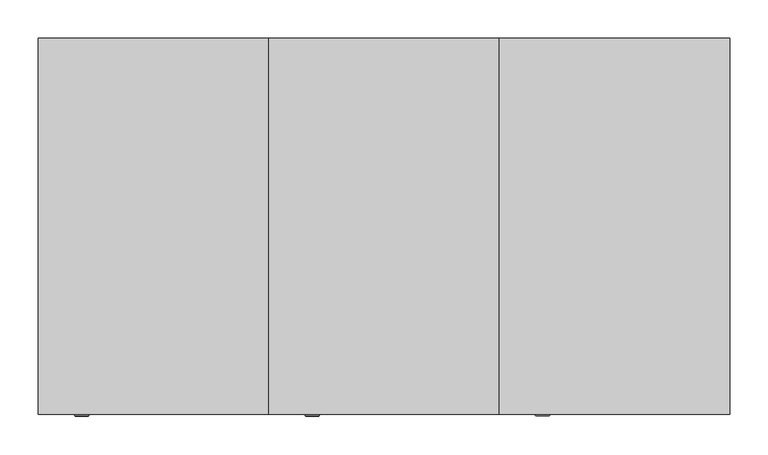
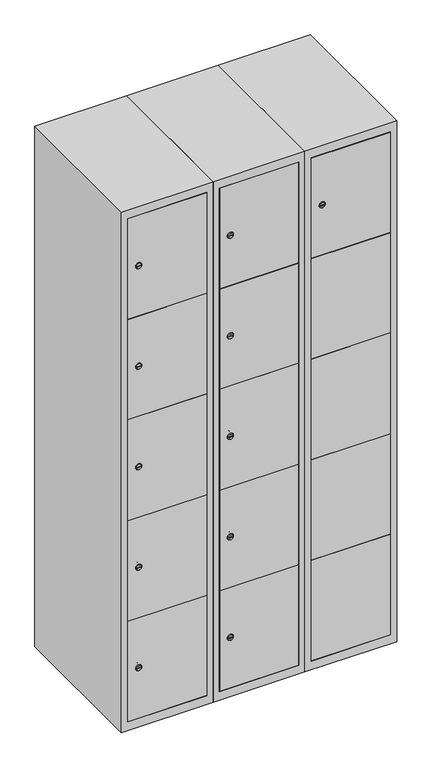
"""IFC4 building model written with IfcOpenShell, lengths in millimetres: furniture geometry."""

from ifc_helpers import new_model, si_unit, point, frame, frame_2d, origin, place, context, project, spatial, polyline, circle_curve, trimmed, segment, composite_curve, outline, extrude, faceted_brep, source, transform, mapped, element, save
from ifc_brep_helpers import plane_surface, revolved_surface, advanced_brep


def furniture_c6ca2750(model_context):
    return source(origin(), model_context, "Body", "SolidModel", [
        advanced_brep(
        [(464.9, -247.2, 1630.04), (447.9, -247.2, 1630.04), (451.4, -247.2, 1628.79), (451.4, -247.2, 1631.29), (461.4, -247.2, 1631.29), (461.4, -247.2, 1628.79), (466.9, -245.0, 1630.04), (445.9, -245.0, 1630.04), (451.4, -245.0, 1631.29), (451.4, -245.0, 1628.79), (461.4, -245.0, 1628.79), (461.4, -245.0, 1631.29)],
        [
            (0, 1, circle_curve(frame((456.4, -247.2, 1630.04), z_axis=(0.0, -1.0, 0.0), x_axis=(1.0, 0.0, 0.0)), 8.5)),
            (1, 0, circle_curve(frame((456.4, -247.2, 1630.04), z_axis=(0.0, -1.0, 0.0), x_axis=(-1.0, 0.0, 0.0)), 8.5)),
            (2, 3),
            (3, 4),
            (4, 5),
            (5, 2),
            (6, 7, circle_curve(frame((456.4, -245.0, 1630.04), z_axis=(0.0, 1.0, 0.0), x_axis=(-1.0, 0.0, 0.0)), 10.5)),
            (7, 6, circle_curve(frame((456.4, -245.0, 1630.04), z_axis=(0.0, 1.0, 0.0), x_axis=(1.0, 0.0, 0.0)), 10.5)),
            (8, 9),
            (9, 10),
            (10, 11),
            (11, 8),
            (0, 6),
            (7, 1),
            (8, 3),
            (2, 9),
            (11, 4),
            (10, 5),
        ],
        [
            plane_surface(frame((456.4, -247.2, 1630.04), z_axis=(0.0, -1.0, 0.0), x_axis=(0.0, 0.0, 1.0))),
            plane_surface(frame((456.4, -245.0, 1630.04), z_axis=(0.0, 1.0, 0.0), x_axis=(0.0, 0.0, 1.0))),
            revolved_surface(polyline([(464.9, -247.2, 1630.04), (466.9, -245.0, 1630.04)]), (456.4, -256.55, 1630.04), (0.0, 1.0, 0.0)),
            revolved_surface(polyline([(447.9, -247.2, 1630.04), (445.9, -245.0, 1630.04)]), (456.4, -256.55, 1630.04), (0.0, 1.0, 0.0)),
            plane_surface(frame((451.4, -245.0, 1628.79), z_axis=(1.0, 0.0, 0.0), x_axis=(0.0, -1.0, 0.0))),
            plane_surface(frame((451.4, -245.0, 1631.29), z_axis=(0.0, 0.0, -1.0), x_axis=(0.0, -1.0, 0.0))),
            plane_surface(frame((461.4, -245.0, 1631.29), z_axis=(-1.0, 0.0, 0.0), x_axis=(0.0, -1.0, 0.0))),
            plane_surface(frame((461.4, -245.0, 1628.79), z_axis=(0.0, 0.0, 1.0), x_axis=(0.0, -1.0, 0.0))),
        ],
        [
            (0, [[1, 2], [3, 4, 5, 6]]),
            (1, [[7, 8], [9, 10, 11, 12]]),
            (2, [[-1, 13, -8, 14]]),
            (3, [[-2, -14, -7, -13]]),
            (4, [[15, -3, 16, -9]]),
            (5, [[-15, -12, 17, -4]]),
            (6, [[-17, -11, 18, -5]]),
            (7, [[-16, -6, -18, -10]]),
        ],
    ),
        extrude(outline(polyline([(678.6, -227.0), (678.6, -245.0), (421.4, -245.0), (421.4, -227.0), (678.6, -227.0)])), frame((0.0, 0.0, 760.74), z_axis=(0.0, 0.0, 1.0), x_axis=(1.0, 0.0, 0.0)), (0.0, 0.0, 1.0), 348.52),
        extrude(outline(polyline([(678.6, -227.0), (678.6, -245.0), (421.4, -245.0), (421.4, -227.0), (678.6, -227.0)])), frame((0.0, 0.0, 413.22), z_axis=(0.0, 0.0, 1.0), x_axis=(1.0, 0.0, 0.0)), (0.0, 0.0, 1.0), 348.52),
        extrude(outline(polyline([(678.6, -227.0), (678.6, -245.0), (421.4, -245.0), (421.4, -227.0), (678.6, -227.0)])), frame((0.0, 0.0, 1108.26), z_axis=(0.0, 0.0, 1.0), x_axis=(1.0, 0.0, 0.0)), (0.0, 0.0, 1.0), 347.52),
        extrude(outline(polyline([(421.4, -245.0), (421.4, -227.0), (678.6, -227.0), (678.6, -245.0), (421.4, -245.0)])), frame((0.0, 0.0, 1456.78), z_axis=(0.0, 0.0, 1.0), x_axis=(1.0, 0.0, 0.0)), (0.0, 0.0, 1.0), 347.02),
        extrude(outline(polyline([(678.6, -227.0), (678.6, -245.0), (421.4, -245.0), (421.4, -227.0), (678.6, -227.0)])), frame((0.0, 0.0, 66.2), z_axis=(0.0, 0.0, 1.0), x_axis=(1.0, 0.0, 0.0)), (0.0, 0.0, 1.0), 348.02),
        extrude(outline(polyline([(679.6, 242.0), (679.6, -227.0), (420.4, -227.0), (420.4, 242.0), (679.6, 242.0)])), frame((0.0, 0.0, 1446.68), z_axis=(0.0, 0.0, 1.0), x_axis=(1.0, 0.0, 0.0)), (0.0, 0.0, 1.0), 20.4),
        extrude(outline(polyline([(679.6, 242.0), (679.6, -227.0), (420.4, -227.0), (420.4, 242.0), (679.6, 242.0)])), frame((0.0, 0.0, 1098.76), z_axis=(0.0, 0.0, 1.0), x_axis=(1.0, 0.0, 0.0)), (0.0, 0.0, 1.0), 20.4),
        extrude(outline(polyline([(679.6, 242.0), (679.6, -227.0), (420.4, -227.0), (420.4, 242.0), (679.6, 242.0)])), frame((0.0, 0.0, 750.84), z_axis=(0.0, 0.0, 1.0), x_axis=(1.0, 0.0, 0.0)), (0.0, 0.0, 1.0), 20.4),
        extrude(outline(polyline([(420.4, 242.0), (679.6, 242.0), (679.6, -227.0), (420.4, -227.0), (420.4, 242.0)])), frame((0.0, 0.0, 402.92), z_axis=(0.0, 0.0, 1.0), x_axis=(1.0, 0.0, 0.0)), (0.0, 0.0, 1.0), 20.4),
        faceted_brep([(700.0, -245.0, 35.0), (700.0, -245.0, 1835.0), (400.0, -245.0, 1835.0), (400.0, -245.0, 35.0), (679.6, -245.0, 1804.8), (679.6, -245.0, 65.2), (420.4, -245.0, 65.2), (420.4, -245.0, 1804.8), (700.0, 245.0, 35.0), (400.0, 245.0, 35.0), (700.0, 245.0, 1835.0), (400.0, 245.0, 1835.0), (679.6, 242.0, 1804.8), (679.6, 242.0, 65.2), (400.0, 245.0, 1804.8), (420.4, 242.0, 1804.8), (420.4, 242.0, 65.2)], [[[0, 1, 2, 3], [4, 5, 6, 7]], [[8, 0, 3, 9]], [[1, 0, 8, 10]], [[1, 10, 11, 2]], [[4, 12, 13, 5]], [[9, 3, 2, 11, 14]], [[10, 8, 9, 14, 11]], [[12, 15, 16, 13]], [[15, 7, 6, 16]], [[4, 7, 15, 12]], [[6, 5, 13, 16]]]),
        extrude(outline(composite_curve([segment(trimmed(circle_curve(frame_2d((239.96, 129.6010534)), 7.0), [point((246.96, 129.6010534))], [point((232.96, 129.6010534))], False, "CARTESIAN"), True, "CONTINUOUS"), segment(polyline([(232.96, 129.6010534), (232.96, 157.6010534)]), True, "CONTINUOUS"), segment(trimmed(circle_curve(frame_2d((239.96, 157.6010534)), 7.0), [point((232.96, 157.6010534))], [point((246.96, 157.6010534))], False, "CARTESIAN"), True, "CONTINUOUS"), segment(polyline([(246.96, 157.6010534), (246.96, 129.6010534)]), True, "CONTINUOUS")], self_intersect=False)), frame((0.0, -227.0, 0.0), z_axis=(0.0, 1.0, 0.0), x_axis=(0.0, 0.0, 1.0)), (0.0, 0.0, 1.0), 2.0),
        advanced_brep(
        [(164.9, -247.2, 239.96), (147.9, -247.2, 239.96), (151.4, -247.2, 238.71), (151.4, -247.2, 241.21), (161.4, -247.2, 241.21), (161.4, -247.2, 238.71), (166.9, -245.0, 239.96), (145.9, -245.0, 239.96), (151.4, -245.0, 241.21), (151.4, -245.0, 238.71), (161.4, -245.0, 238.71), (161.4, -245.0, 241.21)],
        [
            (0, 1, circle_curve(frame((156.4, -247.2, 239.96), z_axis=(0.0, -1.0, 0.0), x_axis=(1.0, 0.0, 0.0)), 8.5)),
            (1, 0, circle_curve(frame((156.4, -247.2, 239.96), z_axis=(0.0, -1.0, 0.0), x_axis=(-1.0, 0.0, 0.0)), 8.5)),
            (2, 3),
            (3, 4),
            (4, 5),
            (5, 2),
            (6, 7, circle_curve(frame((156.4, -245.0, 239.96), z_axis=(0.0, 1.0, 0.0), x_axis=(-1.0, 0.0, 0.0)), 10.5)),
            (7, 6, circle_curve(frame((156.4, -245.0, 239.96), z_axis=(0.0, 1.0, 0.0), x_axis=(1.0, 0.0, 0.0)), 10.5)),
            (8, 9),
            (9, 10),
            (10, 11),
            (11, 8),
            (0, 6),
            (7, 1),
            (8, 3),
            (2, 9),
            (11, 4),
            (10, 5),
        ],
        [
            plane_surface(frame((156.4, -247.2, 239.96), z_axis=(0.0, -1.0, 0.0), x_axis=(0.0, 0.0, 1.0))),
            plane_surface(frame((156.4, -245.0, 239.96), z_axis=(0.0, 1.0, 0.0), x_axis=(0.0, 0.0, 1.0))),
            revolved_surface(polyline([(164.9, -247.2, 239.96), (166.9, -245.0, 239.96)]), (156.4, -256.55, 239.96), (0.0, 1.0, 0.0)),
            revolved_surface(polyline([(147.9, -247.2, 239.96), (145.9, -245.0, 239.96)]), (156.4, -256.55, 239.96), (0.0, 1.0, 0.0)),
            plane_surface(frame((151.4, -245.0, 238.71), z_axis=(1.0, 0.0, 0.0), x_axis=(0.0, -1.0, 0.0))),
            plane_surface(frame((151.4, -245.0, 241.21), z_axis=(0.0, 0.0, -1.0), x_axis=(0.0, -1.0, 0.0))),
            plane_surface(frame((161.4, -245.0, 241.21), z_axis=(-1.0, 0.0, 0.0), x_axis=(0.0, -1.0, 0.0))),
            plane_surface(frame((161.4, -245.0, 238.71), z_axis=(0.0, 0.0, 1.0), x_axis=(0.0, -1.0, 0.0))),
        ],
        [
            (0, [[1, 2], [3, 4, 5, 6]]),
            (1, [[7, 8], [9, 10, 11, 12]]),
            (2, [[-1, 13, -8, 14]]),
            (3, [[-2, -14, -7, -13]]),
            (4, [[15, -3, 16, -9]]),
            (5, [[-15, -12, 17, -4]]),
            (6, [[-17, -11, 18, -5]]),
            (7, [[-16, -6, -18, -10]]),
        ],
    ),
        extrude(outline(composite_curve([segment(trimmed(circle_curve(frame_2d((587.48, 129.6010534)), 7.0), [point((594.48, 129.6010534))], [point((580.48, 129.6010534))], False, "CARTESIAN"), True, "CONTINUOUS"), segment(polyline([(580.48, 129.6010534), (580.48, 157.6010534)]), True, "CONTINUOUS"), segment(trimmed(circle_curve(frame_2d((587.48, 157.6010534)), 7.0), [point((580.48, 157.6010534))], [point((594.48, 157.6010534))], False, "CARTESIAN"), True, "CONTINUOUS"), segment(polyline([(594.48, 157.6010534), (594.48, 129.6010534)]), True, "CONTINUOUS")], self_intersect=False)), frame((0.0, -227.0, 0.0), z_axis=(0.0, 1.0, 0.0), x_axis=(0.0, 0.0, 1.0)), (0.0, 0.0, 1.0), 2.0),
        advanced_brep(
        [(164.9, -247.2, 587.48), (147.9, -247.2, 587.48), (151.4, -247.2, 586.23), (151.4, -247.2, 588.73), (161.4, -247.2, 588.73), (161.4, -247.2, 586.23), (166.9, -245.0, 587.48), (145.9, -245.0, 587.48), (151.4, -245.0, 588.73), (151.4, -245.0, 586.23), (161.4, -245.0, 586.23), (161.4, -245.0, 588.73)],
        [
            (0, 1, circle_curve(frame((156.4, -247.2, 587.48), z_axis=(0.0, -1.0, 0.0), x_axis=(1.0, 0.0, 0.0)), 8.5)),
            (1, 0, circle_curve(frame((156.4, -247.2, 587.48), z_axis=(0.0, -1.0, 0.0), x_axis=(-1.0, 0.0, 0.0)), 8.5)),
            (2, 3),
            (3, 4),
            (4, 5),
            (5, 2),
            (6, 7, circle_curve(frame((156.4, -245.0, 587.48), z_axis=(0.0, 1.0, 0.0), x_axis=(-1.0, 0.0, 0.0)), 10.5)),
            (7, 6, circle_curve(frame((156.4, -245.0, 587.48), z_axis=(0.0, 1.0, 0.0), x_axis=(1.0, 0.0, 0.0)), 10.5)),
            (8, 9),
            (9, 10),
            (10, 11),
            (11, 8),
            (0, 6),
            (7, 1),
            (8, 3),
            (2, 9),
            (11, 4),
            (10, 5),
        ],
        [
            plane_surface(frame((156.4, -247.2, 587.48), z_axis=(0.0, -1.0, 0.0), x_axis=(0.0, 0.0, 1.0))),
            plane_surface(frame((156.4, -245.0, 587.48), z_axis=(0.0, 1.0, 0.0), x_axis=(0.0, 0.0, 1.0))),
            revolved_surface(polyline([(164.9, -247.2, 587.48), (166.9, -245.0, 587.48)]), (156.4, -256.55, 587.48), (0.0, 1.0, 0.0)),
            revolved_surface(polyline([(147.9, -247.2, 587.48), (145.9, -245.0, 587.48)]), (156.4, -256.55, 587.48), (0.0, 1.0, 0.0)),
            plane_surface(frame((151.4, -245.0, 586.23), z_axis=(1.0, 0.0, 0.0), x_axis=(0.0, -1.0, 0.0))),
            plane_surface(frame((151.4, -245.0, 588.73), z_axis=(0.0, 0.0, -1.0), x_axis=(0.0, -1.0, 0.0))),
            plane_surface(frame((161.4, -245.0, 588.73), z_axis=(-1.0, 0.0, 0.0), x_axis=(0.0, -1.0, 0.0))),
            plane_surface(frame((161.4, -245.0, 586.23), z_axis=(0.0, 0.0, 1.0), x_axis=(0.0, -1.0, 0.0))),
        ],
        [
            (0, [[1, 2], [3, 4, 5, 6]]),
            (1, [[7, 8], [9, 10, 11, 12]]),
            (2, [[-1, 13, -8, 14]]),
            (3, [[-2, -14, -7, -13]]),
            (4, [[15, -3, 16, -9]]),
            (5, [[-15, -12, 17, -4]]),
            (6, [[-17, -11, 18, -5]]),
            (7, [[-16, -6, -18, -10]]),
        ],
    ),
        extrude(outline(composite_curve([segment(trimmed(circle_curve(frame_2d((935.0, 129.6010534)), 7.0), [point((942.0, 129.6010534))], [point((928.0, 129.6010534))], False, "CARTESIAN"), True, "CONTINUOUS"), segment(polyline([(928.0, 129.6010534), (928.0, 157.6010534)]), True, "CONTINUOUS"), segment(trimmed(circle_curve(frame_2d((935.0, 157.6010534)), 7.0), [point((928.0, 157.6010534))], [point((942.0, 157.6010534))], False, "CARTESIAN"), True, "CONTINUOUS"), segment(polyline([(942.0, 157.6010534), (942.0, 129.6010534)]), True, "CONTINUOUS")], self_intersect=False)), frame((0.0, -227.0, 0.0), z_axis=(0.0, 1.0, 0.0), x_axis=(0.0, 0.0, 1.0)), (0.0, 0.0, 1.0), 2.0),
        advanced_brep(
        [(164.9, -247.2, 935.0), (147.9, -247.2, 935.0), (151.4, -247.2, 933.75), (151.4, -247.2, 936.25), (161.4, -247.2, 936.25), (161.4, -247.2, 933.75), (166.9, -245.0, 935.0), (145.9, -245.0, 935.0), (151.4, -245.0, 936.25), (151.4, -245.0, 933.75), (161.4, -245.0, 933.75), (161.4, -245.0, 936.25)],
        [
            (0, 1, circle_curve(frame((156.4, -247.2, 935.0), z_axis=(0.0, -1.0, 0.0), x_axis=(1.0, 0.0, 0.0)), 8.5)),
            (1, 0, circle_curve(frame((156.4, -247.2, 935.0), z_axis=(0.0, -1.0, 0.0), x_axis=(-1.0, 0.0, 0.0)), 8.5)),
            (2, 3),
            (3, 4),
            (4, 5),
            (5, 2),
            (6, 7, circle_curve(frame((156.4, -245.0, 935.0), z_axis=(0.0, 1.0, 0.0), x_axis=(-1.0, 0.0, 0.0)), 10.5)),
            (7, 6, circle_curve(frame((156.4, -245.0, 935.0), z_axis=(0.0, 1.0, 0.0), x_axis=(1.0, 0.0, 0.0)), 10.5)),
            (8, 9),
            (9, 10),
            (10, 11),
            (11, 8),
            (0, 6),
            (7, 1),
            (8, 3),
            (2, 9),
            (11, 4),
            (10, 5),
        ],
        [
            plane_surface(frame((156.4, -247.2, 935.0), z_axis=(0.0, -1.0, 0.0), x_axis=(0.0, 0.0, 1.0))),
            plane_surface(frame((156.4, -245.0, 935.0), z_axis=(0.0, 1.0, 0.0), x_axis=(0.0, 0.0, 1.0))),
            revolved_surface(polyline([(164.9, -247.2, 935.0), (166.9, -245.0, 935.0)]), (156.4, -256.55, 935.0), (0.0, 1.0, 0.0)),
            revolved_surface(polyline([(147.9, -247.2, 935.0), (145.9, -245.0, 935.0)]), (156.4, -256.55, 935.0), (0.0, 1.0, 0.0)),
            plane_surface(frame((151.4, -245.0, 933.75), z_axis=(1.0, 0.0, 0.0), x_axis=(0.0, -1.0, 0.0))),
            plane_surface(frame((151.4, -245.0, 936.25), z_axis=(0.0, 0.0, -1.0), x_axis=(0.0, -1.0, 0.0))),
            plane_surface(frame((161.4, -245.0, 936.25), z_axis=(-1.0, 0.0, 0.0), x_axis=(0.0, -1.0, 0.0))),
            plane_surface(frame((161.4, -245.0, 933.75), z_axis=(0.0, 0.0, 1.0), x_axis=(0.0, -1.0, 0.0))),
        ],
        [
            (0, [[1, 2], [3, 4, 5, 6]]),
            (1, [[7, 8], [9, 10, 11, 12]]),
            (2, [[-1, 13, -8, 14]]),
            (3, [[-2, -14, -7, -13]]),
            (4, [[15, -3, 16, -9]]),
            (5, [[-15, -12, 17, -4]]),
            (6, [[-17, -11, 18, -5]]),
            (7, [[-16, -6, -18, -10]]),
        ],
    ),
        extrude(outline(composite_curve([segment(trimmed(circle_curve(frame_2d((1282.52, 129.6010534)), 7.0), [point((1289.52, 129.6010534))], [point((1275.52, 129.6010534))], False, "CARTESIAN"), True, "CONTINUOUS"), segment(polyline([(1275.52, 129.6010534), (1275.52, 157.6010534)]), True, "CONTINUOUS"), segment(trimmed(circle_curve(frame_2d((1282.52, 157.6010534)), 7.0), [point((1275.52, 157.6010534))], [point((1289.52, 157.6010534))], False, "CARTESIAN"), True, "CONTINUOUS"), segment(polyline([(1289.52, 157.6010534), (1289.52, 129.6010534)]), True, "CONTINUOUS")], self_intersect=False)), frame((0.0, -227.0, 0.0), z_axis=(0.0, 1.0, 0.0), x_axis=(0.0, 0.0, 1.0)), (0.0, 0.0, 1.0), 2.0),
        advanced_brep(
        [(164.9, -247.2, 1282.52), (147.9, -247.2, 1282.52), (151.4, -247.2, 1281.27), (151.4, -247.2, 1283.77), (161.4, -247.2, 1283.77), (161.4, -247.2, 1281.27), (166.9, -245.0, 1282.52), (145.9, -245.0, 1282.52), (151.4, -245.0, 1283.77), (151.4, -245.0, 1281.27), (161.4, -245.0, 1281.27), (161.4, -245.0, 1283.77)],
        [
            (0, 1, circle_curve(frame((156.4, -247.2, 1282.52), z_axis=(0.0, -1.0, 0.0), x_axis=(1.0, 0.0, 0.0)), 8.5)),
            (1, 0, circle_curve(frame((156.4, -247.2, 1282.52), z_axis=(0.0, -1.0, 0.0), x_axis=(-1.0, 0.0, 0.0)), 8.5)),
            (2, 3),
            (3, 4),
            (4, 5),
            (5, 2),
            (6, 7, circle_curve(frame((156.4, -245.0, 1282.52), z_axis=(0.0, 1.0, 0.0), x_axis=(-1.0, 0.0, 0.0)), 10.5)),
            (7, 6, circle_curve(frame((156.4, -245.0, 1282.52), z_axis=(0.0, 1.0, 0.0), x_axis=(1.0, 0.0, 0.0)), 10.5)),
            (8, 9),
            (9, 10),
            (10, 11),
            (11, 8),
            (0, 6),
            (7, 1),
            (8, 3),
            (2, 9),
            (11, 4),
            (10, 5),
        ],
        [
            plane_surface(frame((156.4, -247.2, 1282.52), z_axis=(0.0, -1.0, 0.0), x_axis=(0.0, 0.0, 1.0))),
            plane_surface(frame((156.4, -245.0, 1282.52), z_axis=(0.0, 1.0, 0.0), x_axis=(0.0, 0.0, 1.0))),
            revolved_surface(polyline([(164.9, -247.2, 1282.52), (166.9, -245.0, 1282.52)]), (156.4, -256.55, 1282.52), (0.0, 1.0, 0.0)),
            revolved_surface(polyline([(147.9, -247.2, 1282.52), (145.9, -245.0, 1282.52)]), (156.4, -256.55, 1282.52), (0.0, 1.0, 0.0)),
            plane_surface(frame((151.4, -245.0, 1281.27), z_axis=(1.0, 0.0, 0.0), x_axis=(0.0, -1.0, 0.0))),
            plane_surface(frame((151.4, -245.0, 1283.77), z_axis=(0.0, 0.0, -1.0), x_axis=(0.0, -1.0, 0.0))),
            plane_surface(frame((161.4, -245.0, 1283.77), z_axis=(-1.0, 0.0, 0.0), x_axis=(0.0, -1.0, 0.0))),
            plane_surface(frame((161.4, -245.0, 1281.27), z_axis=(0.0, 0.0, 1.0), x_axis=(0.0, -1.0, 0.0))),
        ],
        [
            (0, [[1, 2], [3, 4, 5, 6]]),
            (1, [[7, 8], [9, 10, 11, 12]]),
            (2, [[-1, 13, -8, 14]]),
            (3, [[-2, -14, -7, -13]]),
            (4, [[15, -3, 16, -9]]),
            (5, [[-15, -12, 17, -4]]),
            (6, [[-17, -11, 18, -5]]),
            (7, [[-16, -6, -18, -10]]),
        ],
    ),
        extrude(outline(composite_curve([segment(trimmed(circle_curve(frame_2d((1630.04, 129.6010534)), 7.0), [point((1637.04, 129.6010534))], [point((1623.04, 129.6010534))], False, "CARTESIAN"), True, "CONTINUOUS"), segment(polyline([(1623.04, 129.6010534), (1623.04, 157.6010534)]), True, "CONTINUOUS"), segment(trimmed(circle_curve(frame_2d((1630.04, 157.6010534)), 7.0), [point((1623.04, 157.6010534))], [point((1637.04, 157.6010534))], False, "CARTESIAN"), True, "CONTINUOUS"), segment(polyline([(1637.04, 157.6010534), (1637.04, 129.6010534)]), True, "CONTINUOUS")], self_intersect=False)), frame((0.0, -227.0, 0.0), z_axis=(0.0, 1.0, 0.0), x_axis=(0.0, 0.0, 1.0)), (0.0, 0.0, 1.0), 2.0),
        advanced_brep(
        [(164.9, -247.2, 1630.04), (147.9, -247.2, 1630.04), (151.4, -247.2, 1628.79), (151.4, -247.2, 1631.29), (161.4, -247.2, 1631.29), (161.4, -247.2, 1628.79), (166.9, -245.0, 1630.04), (145.9, -245.0, 1630.04), (151.4, -245.0, 1631.29), (151.4, -245.0, 1628.79), (161.4, -245.0, 1628.79), (161.4, -245.0, 1631.29)],
        [
            (0, 1, circle_curve(frame((156.4, -247.2, 1630.04), z_axis=(0.0, -1.0, 0.0), x_axis=(1.0, 0.0, 0.0)), 8.5)),
            (1, 0, circle_curve(frame((156.4, -247.2, 1630.04), z_axis=(0.0, -1.0, 0.0), x_axis=(-1.0, 0.0, 0.0)), 8.5)),
            (2, 3),
            (3, 4),
            (4, 5),
            (5, 2),
            (6, 7, circle_curve(frame((156.4, -245.0, 1630.04), z_axis=(0.0, 1.0, 0.0), x_axis=(-1.0, 0.0, 0.0)), 10.5)),
            (7, 6, circle_curve(frame((156.4, -245.0, 1630.04), z_axis=(0.0, 1.0, 0.0), x_axis=(1.0, 0.0, 0.0)), 10.5)),
            (8, 9),
            (9, 10),
            (10, 11),
            (11, 8),
            (0, 6),
            (7, 1),
            (8, 3),
            (2, 9),
            (11, 4),
            (10, 5),
        ],
        [
            plane_surface(frame((156.4, -247.2, 1630.04), z_axis=(0.0, -1.0, 0.0), x_axis=(0.0, 0.0, 1.0))),
            plane_surface(frame((156.4, -245.0, 1630.04), z_axis=(0.0, 1.0, 0.0), x_axis=(0.0, 0.0, 1.0))),
            revolved_surface(polyline([(164.9, -247.2, 1630.04), (166.9, -245.0, 1630.04)]), (156.4, -256.55, 1630.04), (0.0, 1.0, 0.0)),
            revolved_surface(polyline([(147.9, -247.2, 1630.04), (145.9, -245.0, 1630.04)]), (156.4, -256.55, 1630.04), (0.0, 1.0, 0.0)),
            plane_surface(frame((151.4, -245.0, 1628.79), z_axis=(1.0, 0.0, 0.0), x_axis=(0.0, -1.0, 0.0))),
            plane_surface(frame((151.4, -245.0, 1631.29), z_axis=(0.0, 0.0, -1.0), x_axis=(0.0, -1.0, 0.0))),
            plane_surface(frame((161.4, -245.0, 1631.29), z_axis=(-1.0, 0.0, 0.0), x_axis=(0.0, -1.0, 0.0))),
            plane_surface(frame((161.4, -245.0, 1628.79), z_axis=(0.0, 0.0, 1.0), x_axis=(0.0, -1.0, 0.0))),
        ],
        [
            (0, [[1, 2], [3, 4, 5, 6]]),
            (1, [[7, 8], [9, 10, 11, 12]]),
            (2, [[-1, 13, -8, 14]]),
            (3, [[-2, -14, -7, -13]]),
            (4, [[15, -3, 16, -9]]),
            (5, [[-15, -12, 17, -4]]),
            (6, [[-17, -11, 18, -5]]),
            (7, [[-16, -6, -18, -10]]),
        ],
    ),
        extrude(outline(polyline([(378.6, -227.0), (378.6, -245.0), (121.4, -245.0), (121.4, -227.0), (378.6, -227.0)])), frame((0.0, 0.0, 760.74), z_axis=(0.0, 0.0, 1.0), x_axis=(1.0, 0.0, 0.0)), (0.0, 0.0, 1.0), 348.52),
        extrude(outline(polyline([(378.6, -227.0), (378.6, -245.0), (121.4, -245.0), (121.4, -227.0), (378.6, -227.0)])), frame((0.0, 0.0, 413.22), z_axis=(0.0, 0.0, 1.0), x_axis=(1.0, 0.0, 0.0)), (0.0, 0.0, 1.0), 348.52),
        extrude(outline(polyline([(378.6, -227.0), (378.6, -245.0), (121.4, -245.0), (121.4, -227.0), (378.6, -227.0)])), frame((0.0, 0.0, 1108.26), z_axis=(0.0, 0.0, 1.0), x_axis=(1.0, 0.0, 0.0)), (0.0, 0.0, 1.0), 347.52),
        extrude(outline(polyline([(121.4, -245.0), (121.4, -227.0), (378.6, -227.0), (378.6, -245.0), (121.4, -245.0)])), frame((0.0, 0.0, 1456.78), z_axis=(0.0, 0.0, 1.0), x_axis=(1.0, 0.0, 0.0)), (0.0, 0.0, 1.0), 347.02),
        extrude(outline(polyline([(378.6, -227.0), (378.6, -245.0), (121.4, -245.0), (121.4, -227.0), (378.6, -227.0)])), frame((0.0, 0.0, 66.2), z_axis=(0.0, 0.0, 1.0), x_axis=(1.0, 0.0, 0.0)), (0.0, 0.0, 1.0), 348.02),
        extrude(outline(polyline([(379.6, 242.0), (379.6, -227.0), (120.4, -227.0), (120.4, 242.0), (379.6, 242.0)])), frame((0.0, 0.0, 1446.68), z_axis=(0.0, 0.0, 1.0), x_axis=(1.0, 0.0, 0.0)), (0.0, 0.0, 1.0), 20.4),
        extrude(outline(polyline([(379.6, 242.0), (379.6, -227.0), (120.4, -227.0), (120.4, 242.0), (379.6, 242.0)])), frame((0.0, 0.0, 1098.76), z_axis=(0.0, 0.0, 1.0), x_axis=(1.0, 0.0, 0.0)), (0.0, 0.0, 1.0), 20.4),
        extrude(outline(polyline([(379.6, 242.0), (379.6, -227.0), (120.4, -227.0), (120.4, 242.0), (379.6, 242.0)])), frame((0.0, 0.0, 750.84), z_axis=(0.0, 0.0, 1.0), x_axis=(1.0, 0.0, 0.0)), (0.0, 0.0, 1.0), 20.4),
        extrude(outline(polyline([(120.4, 242.0), (379.6, 242.0), (379.6, -227.0), (120.4, -227.0), (120.4, 242.0)])), frame((0.0, 0.0, 402.92), z_axis=(0.0, 0.0, 1.0), x_axis=(1.0, 0.0, 0.0)), (0.0, 0.0, 1.0), 20.4),
        faceted_brep([(400.0, -245.0, 35.0), (400.0, -245.0, 1835.0), (100.0, -245.0, 1835.0), (100.0, -245.0, 35.0), (379.6, -245.0, 1804.8), (379.6, -245.0, 65.2), (120.4, -245.0, 65.2), (120.4, -245.0, 1804.8), (400.0, 245.0, 35.0), (100.0, 245.0, 35.0), (400.0, 245.0, 1835.0), (100.0, 245.0, 1835.0), (379.6, 242.0, 1804.8), (379.6, 242.0, 65.2), (100.0, 245.0, 1804.8), (120.4, 242.0, 1804.8), (120.4, 242.0, 65.2)], [[[0, 1, 2, 3], [4, 5, 6, 7]], [[8, 0, 3, 9]], [[1, 0, 8, 10]], [[1, 10, 11, 2]], [[4, 12, 13, 5]], [[9, 3, 2, 11, 14]], [[10, 8, 9, 14, 11]], [[12, 15, 16, 13]], [[15, 7, 6, 16]], [[4, 7, 15, 12]], [[6, 5, 13, 16]]]),
        extrude(outline(composite_curve([segment(trimmed(circle_curve(frame_2d((239.96, -170.3989466)), 7.0), [point((246.96, -170.3989466))], [point((232.96, -170.3989466))], False, "CARTESIAN"), True, "CONTINUOUS"), segment(polyline([(232.96, -170.3989466), (232.96, -142.3989466)]), True, "CONTINUOUS"), segment(trimmed(circle_curve(frame_2d((239.96, -142.3989466)), 7.0), [point((232.96, -142.3989466))], [point((246.96, -142.3989466))], False, "CARTESIAN"), True, "CONTINUOUS"), segment(polyline([(246.96, -142.3989466), (246.96, -170.3989466)]), True, "CONTINUOUS")], self_intersect=False)), frame((0.0, -227.0, 0.0), z_axis=(0.0, 1.0, 0.0), x_axis=(0.0, 0.0, 1.0)), (0.0, 0.0, 1.0), 2.0),
        advanced_brep(
        [(-135.1, -247.2, 239.96), (-152.1, -247.2, 239.96), (-148.6, -247.2, 238.71), (-148.6, -247.2, 241.21), (-138.6, -247.2, 241.21), (-138.6, -247.2, 238.71), (-133.1, -245.0, 239.96), (-154.1, -245.0, 239.96), (-148.6, -245.0, 241.21), (-148.6, -245.0, 238.71), (-138.6, -245.0, 238.71), (-138.6, -245.0, 241.21)],
        [
            (0, 1, circle_curve(frame((-143.6, -247.2, 239.96), z_axis=(0.0, -1.0, 0.0), x_axis=(1.0, 0.0, 0.0)), 8.5)),
            (1, 0, circle_curve(frame((-143.6, -247.2, 239.96), z_axis=(0.0, -1.0, 0.0), x_axis=(-1.0, 0.0, 0.0)), 8.5)),
            (2, 3),
            (3, 4),
            (4, 5),
            (5, 2),
            (6, 7, circle_curve(frame((-143.6, -245.0, 239.96), z_axis=(0.0, 1.0, 0.0), x_axis=(-1.0, 0.0, 0.0)), 10.5)),
            (7, 6, circle_curve(frame((-143.6, -245.0, 239.96), z_axis=(0.0, 1.0, 0.0), x_axis=(1.0, 0.0, 0.0)), 10.5)),
            (8, 9),
            (9, 10),
            (10, 11),
            (11, 8),
            (0, 6),
            (7, 1),
            (8, 3),
            (2, 9),
            (11, 4),
            (10, 5),
        ],
        [
            plane_surface(frame((-143.6, -247.2, 239.96), z_axis=(0.0, -1.0, 0.0), x_axis=(0.0, 0.0, 1.0))),
            plane_surface(frame((-143.6, -245.0, 239.96), z_axis=(0.0, 1.0, 0.0), x_axis=(0.0, 0.0, 1.0))),
            revolved_surface(polyline([(-135.1, -247.2, 239.96), (-133.1, -245.0, 239.96)]), (-143.6, -256.55, 239.96), (0.0, 1.0, 0.0)),
            revolved_surface(polyline([(-152.1, -247.2, 239.96), (-154.1, -245.0, 239.96)]), (-143.6, -256.55, 239.96), (0.0, 1.0, 0.0)),
            plane_surface(frame((-148.6, -245.0, 238.71), z_axis=(1.0, 0.0, 0.0), x_axis=(0.0, -1.0, 0.0))),
            plane_surface(frame((-148.6, -245.0, 241.21), z_axis=(0.0, 0.0, -1.0), x_axis=(0.0, -1.0, 0.0))),
            plane_surface(frame((-138.6, -245.0, 241.21), z_axis=(-1.0, 0.0, 0.0), x_axis=(0.0, -1.0, 0.0))),
            plane_surface(frame((-138.6, -245.0, 238.71), z_axis=(0.0, 0.0, 1.0), x_axis=(0.0, -1.0, 0.0))),
        ],
        [
            (0, [[1, 2], [3, 4, 5, 6]]),
            (1, [[7, 8], [9, 10, 11, 12]]),
            (2, [[-1, 13, -8, 14]]),
            (3, [[-2, -14, -7, -13]]),
            (4, [[15, -3, 16, -9]]),
            (5, [[-15, -12, 17, -4]]),
            (6, [[-17, -11, 18, -5]]),
            (7, [[-16, -6, -18, -10]]),
        ],
    ),
        extrude(outline(composite_curve([segment(trimmed(circle_curve(frame_2d((587.48, -170.3989466)), 7.0), [point((594.48, -170.3989466))], [point((580.48, -170.3989466))], False, "CARTESIAN"), True, "CONTINUOUS"), segment(polyline([(580.48, -170.3989466), (580.48, -142.3989466)]), True, "CONTINUOUS"), segment(trimmed(circle_curve(frame_2d((587.48, -142.3989466)), 7.0), [point((580.48, -142.3989466))], [point((594.48, -142.3989466))], False, "CARTESIAN"), True, "CONTINUOUS"), segment(polyline([(594.48, -142.3989466), (594.48, -170.3989466)]), True, "CONTINUOUS")], self_intersect=False)), frame((0.0, -227.0, 0.0), z_axis=(0.0, 1.0, 0.0), x_axis=(0.0, 0.0, 1.0)), (0.0, 0.0, 1.0), 2.0),
        advanced_brep(
        [(-135.1, -247.2, 587.48), (-152.1, -247.2, 587.48), (-148.6, -247.2, 586.23), (-148.6, -247.2, 588.73), (-138.6, -247.2, 588.73), (-138.6, -247.2, 586.23), (-133.1, -245.0, 587.48), (-154.1, -245.0, 587.48), (-148.6, -245.0, 588.73), (-148.6, -245.0, 586.23), (-138.6, -245.0, 586.23), (-138.6, -245.0, 588.73)],
        [
            (0, 1, circle_curve(frame((-143.6, -247.2, 587.48), z_axis=(0.0, -1.0, 0.0), x_axis=(1.0, 0.0, 0.0)), 8.5)),
            (1, 0, circle_curve(frame((-143.6, -247.2, 587.48), z_axis=(0.0, -1.0, 0.0), x_axis=(-1.0, 0.0, 0.0)), 8.5)),
            (2, 3),
            (3, 4),
            (4, 5),
            (5, 2),
            (6, 7, circle_curve(frame((-143.6, -245.0, 587.48), z_axis=(0.0, 1.0, 0.0), x_axis=(-1.0, 0.0, 0.0)), 10.5)),
            (7, 6, circle_curve(frame((-143.6, -245.0, 587.48), z_axis=(0.0, 1.0, 0.0), x_axis=(1.0, 0.0, 0.0)), 10.5)),
            (8, 9),
            (9, 10),
            (10, 11),
            (11, 8),
            (0, 6),
            (7, 1),
            (8, 3),
            (2, 9),
            (11, 4),
            (10, 5),
        ],
        [
            plane_surface(frame((-143.6, -247.2, 587.48), z_axis=(0.0, -1.0, 0.0), x_axis=(0.0, 0.0, 1.0))),
            plane_surface(frame((-143.6, -245.0, 587.48), z_axis=(0.0, 1.0, 0.0), x_axis=(0.0, 0.0, 1.0))),
            revolved_surface(polyline([(-135.1, -247.2, 587.48), (-133.1, -245.0, 587.48)]), (-143.6, -256.55, 587.48), (0.0, 1.0, 0.0)),
            revolved_surface(polyline([(-152.1, -247.2, 587.48), (-154.1, -245.0, 587.48)]), (-143.6, -256.55, 587.48), (0.0, 1.0, 0.0)),
            plane_surface(frame((-148.6, -245.0, 586.23), z_axis=(1.0, 0.0, 0.0), x_axis=(0.0, -1.0, 0.0))),
            plane_surface(frame((-148.6, -245.0, 588.73), z_axis=(0.0, 0.0, -1.0), x_axis=(0.0, -1.0, 0.0))),
            plane_surface(frame((-138.6, -245.0, 588.73), z_axis=(-1.0, 0.0, 0.0), x_axis=(0.0, -1.0, 0.0))),
            plane_surface(frame((-138.6, -245.0, 586.23), z_axis=(0.0, 0.0, 1.0), x_axis=(0.0, -1.0, 0.0))),
        ],
        [
            (0, [[1, 2], [3, 4, 5, 6]]),
            (1, [[7, 8], [9, 10, 11, 12]]),
            (2, [[-1, 13, -8, 14]]),
            (3, [[-2, -14, -7, -13]]),
            (4, [[15, -3, 16, -9]]),
            (5, [[-15, -12, 17, -4]]),
            (6, [[-17, -11, 18, -5]]),
            (7, [[-16, -6, -18, -10]]),
        ],
    ),
        extrude(outline(composite_curve([segment(trimmed(circle_curve(frame_2d((935.0, -170.3989466)), 7.0), [point((942.0, -170.3989466))], [point((928.0, -170.3989466))], False, "CARTESIAN"), True, "CONTINUOUS"), segment(polyline([(928.0, -170.3989466), (928.0, -142.3989466)]), True, "CONTINUOUS"), segment(trimmed(circle_curve(frame_2d((935.0, -142.3989466)), 7.0), [point((928.0, -142.3989466))], [point((942.0, -142.3989466))], False, "CARTESIAN"), True, "CONTINUOUS"), segment(polyline([(942.0, -142.3989466), (942.0, -170.3989466)]), True, "CONTINUOUS")], self_intersect=False)), frame((0.0, -227.0, 0.0), z_axis=(0.0, 1.0, 0.0), x_axis=(0.0, 0.0, 1.0)), (0.0, 0.0, 1.0), 2.0),
        advanced_brep(
        [(-135.1, -247.2, 935.0), (-152.1, -247.2, 935.0), (-148.6, -247.2, 933.75), (-148.6, -247.2, 936.25), (-138.6, -247.2, 936.25), (-138.6, -247.2, 933.75), (-133.1, -245.0, 935.0), (-154.1, -245.0, 935.0), (-148.6, -245.0, 936.25), (-148.6, -245.0, 933.75), (-138.6, -245.0, 933.75), (-138.6, -245.0, 936.25)],
        [
            (0, 1, circle_curve(frame((-143.6, -247.2, 935.0), z_axis=(0.0, -1.0, 0.0), x_axis=(1.0, 0.0, 0.0)), 8.5)),
            (1, 0, circle_curve(frame((-143.6, -247.2, 935.0), z_axis=(0.0, -1.0, 0.0), x_axis=(-1.0, 0.0, 0.0)), 8.5)),
            (2, 3),
            (3, 4),
            (4, 5),
            (5, 2),
            (6, 7, circle_curve(frame((-143.6, -245.0, 935.0), z_axis=(0.0, 1.0, 0.0), x_axis=(-1.0, 0.0, 0.0)), 10.5)),
            (7, 6, circle_curve(frame((-143.6, -245.0, 935.0), z_axis=(0.0, 1.0, 0.0), x_axis=(1.0, 0.0, 0.0)), 10.5)),
            (8, 9),
            (9, 10),
            (10, 11),
            (11, 8),
            (0, 6),
            (7, 1),
            (8, 3),
            (2, 9),
            (11, 4),
            (10, 5),
        ],
        [
            plane_surface(frame((-143.6, -247.2, 935.0), z_axis=(0.0, -1.0, 0.0), x_axis=(0.0, 0.0, 1.0))),
            plane_surface(frame((-143.6, -245.0, 935.0), z_axis=(0.0, 1.0, 0.0), x_axis=(0.0, 0.0, 1.0))),
            revolved_surface(polyline([(-135.1, -247.2, 935.0), (-133.1, -245.0, 935.0)]), (-143.6, -256.55, 935.0), (0.0, 1.0, 0.0)),
            revolved_surface(polyline([(-152.1, -247.2, 935.0), (-154.1, -245.0, 935.0)]), (-143.6, -256.55, 935.0), (0.0, 1.0, 0.0)),
            plane_surface(frame((-148.6, -245.0, 933.75), z_axis=(1.0, 0.0, 0.0), x_axis=(0.0, -1.0, 0.0))),
            plane_surface(frame((-148.6, -245.0, 936.25), z_axis=(0.0, 0.0, -1.0), x_axis=(0.0, -1.0, 0.0))),
            plane_surface(frame((-138.6, -245.0, 936.25), z_axis=(-1.0, 0.0, 0.0), x_axis=(0.0, -1.0, 0.0))),
            plane_surface(frame((-138.6, -245.0, 933.75), z_axis=(0.0, 0.0, 1.0), x_axis=(0.0, -1.0, 0.0))),
        ],
        [
            (0, [[1, 2], [3, 4, 5, 6]]),
            (1, [[7, 8], [9, 10, 11, 12]]),
            (2, [[-1, 13, -8, 14]]),
            (3, [[-2, -14, -7, -13]]),
            (4, [[15, -3, 16, -9]]),
            (5, [[-15, -12, 17, -4]]),
            (6, [[-17, -11, 18, -5]]),
            (7, [[-16, -6, -18, -10]]),
        ],
    ),
        extrude(outline(composite_curve([segment(trimmed(circle_curve(frame_2d((1282.52, -170.3989466)), 7.0), [point((1289.52, -170.3989466))], [point((1275.52, -170.3989466))], False, "CARTESIAN"), True, "CONTINUOUS"), segment(polyline([(1275.52, -170.3989466), (1275.52, -142.3989466)]), True, "CONTINUOUS"), segment(trimmed(circle_curve(frame_2d((1282.52, -142.3989466)), 7.0), [point((1275.52, -142.3989466))], [point((1289.52, -142.3989466))], False, "CARTESIAN"), True, "CONTINUOUS"), segment(polyline([(1289.52, -142.3989466), (1289.52, -170.3989466)]), True, "CONTINUOUS")], self_intersect=False)), frame((0.0, -227.0, 0.0), z_axis=(0.0, 1.0, 0.0), x_axis=(0.0, 0.0, 1.0)), (0.0, 0.0, 1.0), 2.0),
        advanced_brep(
        [(-135.1, -247.2, 1282.52), (-152.1, -247.2, 1282.52), (-148.6, -247.2, 1281.27), (-148.6, -247.2, 1283.77), (-138.6, -247.2, 1283.77), (-138.6, -247.2, 1281.27), (-133.1, -245.0, 1282.52), (-154.1, -245.0, 1282.52), (-148.6, -245.0, 1283.77), (-148.6, -245.0, 1281.27), (-138.6, -245.0, 1281.27), (-138.6, -245.0, 1283.77)],
        [
            (0, 1, circle_curve(frame((-143.6, -247.2, 1282.52), z_axis=(0.0, -1.0, 0.0), x_axis=(1.0, 0.0, 0.0)), 8.5)),
            (1, 0, circle_curve(frame((-143.6, -247.2, 1282.52), z_axis=(0.0, -1.0, 0.0), x_axis=(-1.0, 0.0, 0.0)), 8.5)),
            (2, 3),
            (3, 4),
            (4, 5),
            (5, 2),
            (6, 7, circle_curve(frame((-143.6, -245.0, 1282.52), z_axis=(0.0, 1.0, 0.0), x_axis=(-1.0, 0.0, 0.0)), 10.5)),
            (7, 6, circle_curve(frame((-143.6, -245.0, 1282.52), z_axis=(0.0, 1.0, 0.0), x_axis=(1.0, 0.0, 0.0)), 10.5)),
            (8, 9),
            (9, 10),
            (10, 11),
            (11, 8),
            (0, 6),
            (7, 1),
            (8, 3),
            (2, 9),
            (11, 4),
            (10, 5),
        ],
        [
            plane_surface(frame((-143.6, -247.2, 1282.52), z_axis=(0.0, -1.0, 0.0), x_axis=(0.0, 0.0, 1.0))),
            plane_surface(frame((-143.6, -245.0, 1282.52), z_axis=(0.0, 1.0, 0.0), x_axis=(0.0, 0.0, 1.0))),
            revolved_surface(polyline([(-135.1, -247.2, 1282.52), (-133.1, -245.0, 1282.52)]), (-143.6, -256.55, 1282.52), (0.0, 1.0, 0.0)),
            revolved_surface(polyline([(-152.1, -247.2, 1282.52), (-154.1, -245.0, 1282.52)]), (-143.6, -256.55, 1282.52), (0.0, 1.0, 0.0)),
            plane_surface(frame((-148.6, -245.0, 1281.27), z_axis=(1.0, 0.0, 0.0), x_axis=(0.0, -1.0, 0.0))),
            plane_surface(frame((-148.6, -245.0, 1283.77), z_axis=(0.0, 0.0, -1.0), x_axis=(0.0, -1.0, 0.0))),
            plane_surface(frame((-138.6, -245.0, 1283.77), z_axis=(-1.0, 0.0, 0.0), x_axis=(0.0, -1.0, 0.0))),
            plane_surface(frame((-138.6, -245.0, 1281.27), z_axis=(0.0, 0.0, 1.0), x_axis=(0.0, -1.0, 0.0))),
        ],
        [
            (0, [[1, 2], [3, 4, 5, 6]]),
            (1, [[7, 8], [9, 10, 11, 12]]),
            (2, [[-1, 13, -8, 14]]),
            (3, [[-2, -14, -7, -13]]),
            (4, [[15, -3, 16, -9]]),
            (5, [[-15, -12, 17, -4]]),
            (6, [[-17, -11, 18, -5]]),
            (7, [[-16, -6, -18, -10]]),
        ],
    ),
        extrude(outline(composite_curve([segment(trimmed(circle_curve(frame_2d((1630.04, -170.3989466)), 7.0), [point((1637.04, -170.3989466))], [point((1623.04, -170.3989466))], False, "CARTESIAN"), True, "CONTINUOUS"), segment(polyline([(1623.04, -170.3989466), (1623.04, -142.3989466)]), True, "CONTINUOUS"), segment(trimmed(circle_curve(frame_2d((1630.04, -142.3989466)), 7.0), [point((1623.04, -142.3989466))], [point((1637.04, -142.3989466))], False, "CARTESIAN"), True, "CONTINUOUS"), segment(polyline([(1637.04, -142.3989466), (1637.04, -170.3989466)]), True, "CONTINUOUS")], self_intersect=False)), frame((0.0, -227.0, 0.0), z_axis=(0.0, 1.0, 0.0), x_axis=(0.0, 0.0, 1.0)), (0.0, 0.0, 1.0), 2.0),
        advanced_brep(
        [(-135.1, -247.2, 1630.04), (-152.1, -247.2, 1630.04), (-148.6, -247.2, 1628.79), (-148.6, -247.2, 1631.29), (-138.6, -247.2, 1631.29), (-138.6, -247.2, 1628.79), (-133.1, -245.0, 1630.04), (-154.1, -245.0, 1630.04), (-148.6, -245.0, 1631.29), (-148.6, -245.0, 1628.79), (-138.6, -245.0, 1628.79), (-138.6, -245.0, 1631.29)],
        [
            (0, 1, circle_curve(frame((-143.6, -247.2, 1630.04), z_axis=(0.0, -1.0, 0.0), x_axis=(1.0, 0.0, 0.0)), 8.5)),
            (1, 0, circle_curve(frame((-143.6, -247.2, 1630.04), z_axis=(0.0, -1.0, 0.0), x_axis=(-1.0, 0.0, 0.0)), 8.5)),
            (2, 3),
            (3, 4),
            (4, 5),
            (5, 2),
            (6, 7, circle_curve(frame((-143.6, -245.0, 1630.04), z_axis=(0.0, 1.0, 0.0), x_axis=(-1.0, 0.0, 0.0)), 10.5)),
            (7, 6, circle_curve(frame((-143.6, -245.0, 1630.04), z_axis=(0.0, 1.0, 0.0), x_axis=(1.0, 0.0, 0.0)), 10.5)),
            (8, 9),
            (9, 10),
            (10, 11),
            (11, 8),
            (0, 6),
            (7, 1),
            (8, 3),
            (2, 9),
            (11, 4),
            (10, 5),
        ],
        [
            plane_surface(frame((-143.6, -247.2, 1630.04), z_axis=(0.0, -1.0, 0.0), x_axis=(0.0, 0.0, 1.0))),
            plane_surface(frame((-143.6, -245.0, 1630.04), z_axis=(0.0, 1.0, 0.0), x_axis=(0.0, 0.0, 1.0))),
            revolved_surface(polyline([(-135.1, -247.2, 1630.04), (-133.1, -245.0, 1630.04)]), (-143.6, -256.55, 1630.04), (0.0, 1.0, 0.0)),
            revolved_surface(polyline([(-152.1, -247.2, 1630.04), (-154.1, -245.0, 1630.04)]), (-143.6, -256.55, 1630.04), (0.0, 1.0, 0.0)),
            plane_surface(frame((-148.6, -245.0, 1628.79), z_axis=(1.0, 0.0, 0.0), x_axis=(0.0, -1.0, 0.0))),
            plane_surface(frame((-148.6, -245.0, 1631.29), z_axis=(0.0, 0.0, -1.0), x_axis=(0.0, -1.0, 0.0))),
            plane_surface(frame((-138.6, -245.0, 1631.29), z_axis=(-1.0, 0.0, 0.0), x_axis=(0.0, -1.0, 0.0))),
            plane_surface(frame((-138.6, -245.0, 1628.79), z_axis=(0.0, 0.0, 1.0), x_axis=(0.0, -1.0, 0.0))),
        ],
        [
            (0, [[1, 2], [3, 4, 5, 6]]),
            (1, [[7, 8], [9, 10, 11, 12]]),
            (2, [[-1, 13, -8, 14]]),
            (3, [[-2, -14, -7, -13]]),
            (4, [[15, -3, 16, -9]]),
            (5, [[-15, -12, 17, -4]]),
            (6, [[-17, -11, 18, -5]]),
            (7, [[-16, -6, -18, -10]]),
        ],
    ),
        extrude(outline(polyline([(78.6, -227.0), (78.6, -245.0), (-178.6, -245.0), (-178.6, -227.0), (78.6, -227.0)])), frame((0.0, 0.0, 760.74), z_axis=(0.0, 0.0, 1.0), x_axis=(1.0, 0.0, 0.0)), (0.0, 0.0, 1.0), 348.52),
        extrude(outline(polyline([(78.6, -227.0), (78.6, -245.0), (-178.6, -245.0), (-178.6, -227.0), (78.6, -227.0)])), frame((0.0, 0.0, 413.22), z_axis=(0.0, 0.0, 1.0), x_axis=(1.0, 0.0, 0.0)), (0.0, 0.0, 1.0), 348.52),
        extrude(outline(polyline([(78.6, -227.0), (78.6, -245.0), (-178.6, -245.0), (-178.6, -227.0), (78.6, -227.0)])), frame((0.0, 0.0, 1108.26), z_axis=(0.0, 0.0, 1.0), x_axis=(1.0, 0.0, 0.0)), (0.0, 0.0, 1.0), 347.52),
        extrude(outline(polyline([(-178.6, -245.0), (-178.6, -227.0), (78.6, -227.0), (78.6, -245.0), (-178.6, -245.0)])), frame((0.0, 0.0, 1456.78), z_axis=(0.0, 0.0, 1.0), x_axis=(1.0, 0.0, 0.0)), (0.0, 0.0, 1.0), 347.02),
        extrude(outline(polyline([(78.6, -227.0), (78.6, -245.0), (-178.6, -245.0), (-178.6, -227.0), (78.6, -227.0)])), frame((0.0, 0.0, 66.2), z_axis=(0.0, 0.0, 1.0), x_axis=(1.0, 0.0, 0.0)), (0.0, 0.0, 1.0), 348.02),
        extrude(outline(polyline([(79.6, 242.0), (79.6, -227.0), (-179.6, -227.0), (-179.6, 242.0), (79.6, 242.0)])), frame((0.0, 0.0, 1446.68), z_axis=(0.0, 0.0, 1.0), x_axis=(1.0, 0.0, 0.0)), (0.0, 0.0, 1.0), 20.4),
        extrude(outline(polyline([(79.6, 242.0), (79.6, -227.0), (-179.6, -227.0), (-179.6, 242.0), (79.6, 242.0)])), frame((0.0, 0.0, 1098.76), z_axis=(0.0, 0.0, 1.0), x_axis=(1.0, 0.0, 0.0)), (0.0, 0.0, 1.0), 20.4),
        extrude(outline(polyline([(79.6, 242.0), (79.6, -227.0), (-179.6, -227.0), (-179.6, 242.0), (79.6, 242.0)])), frame((0.0, 0.0, 750.84), z_axis=(0.0, 0.0, 1.0), x_axis=(1.0, 0.0, 0.0)), (0.0, 0.0, 1.0), 20.4),
        extrude(outline(polyline([(-179.6, 242.0), (79.6, 242.0), (79.6, -227.0), (-179.6, -227.0), (-179.6, 242.0)])), frame((0.0, 0.0, 402.92), z_axis=(0.0, 0.0, 1.0), x_axis=(1.0, 0.0, 0.0)), (0.0, 0.0, 1.0), 20.4),
        faceted_brep([(100.0, -245.0, 35.0), (100.0, -245.0, 1835.0), (-200.0, -245.0, 1835.0), (-200.0, -245.0, 35.0), (79.6, -245.0, 1804.8), (79.6, -245.0, 65.2), (-179.6, -245.0, 65.2), (-179.6, -245.0, 1804.8), (100.0, 245.0, 35.0), (-200.0, 245.0, 35.0), (100.0, 245.0, 1835.0), (-200.0, 245.0, 1835.0), (79.6, 242.0, 1804.8), (79.6, 242.0, 65.2), (-200.0, 245.0, 1804.8), (-179.6, 242.0, 1804.8), (-179.6, 242.0, 65.2)], [[[0, 1, 2, 3], [4, 5, 6, 7]], [[8, 0, 3, 9]], [[1, 0, 8, 10]], [[1, 10, 11, 2]], [[4, 12, 13, 5]], [[9, 3, 2, 11, 14]], [[10, 8, 9, 14, 11]], [[12, 15, 16, 13]], [[15, 7, 6, 16]], [[4, 7, 15, 12]], [[6, 5, 13, 16]]]),
    ])


if __name__ == "__main__":
    model = new_model("IFC4")
    model_context = context("Model", 3, world=origin())
    ifc_project = project(units=[si_unit("LENGTHUNIT", "METRE", prefix="MILLI")], contexts=[model_context])
    site = spatial("IfcSite", under=ifc_project)
    building = spatial("IfcBuilding", under=site)
    placement = place(None, origin())
    furniture_shape = furniture_c6ca2750(model_context)
    element("IfcFurniture", 1, at=placement, inside=building, context=model_context, shape_type="MappedRepresentation", body=[
        mapped(furniture_shape, transform((0.0, 0.0, 0.0), x_axis=(1.0, 0.0, 0.0), y_axis=(0.0, 1.0, 0.0), z_axis=(0.0, 0.0, 1.0))),
    ])
    save(model, "model.ifc")
